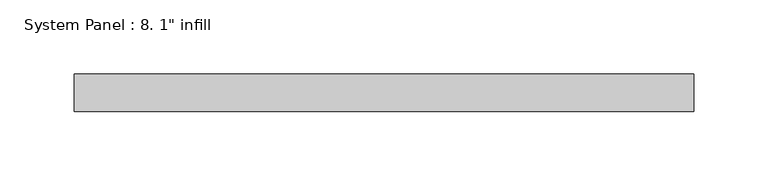
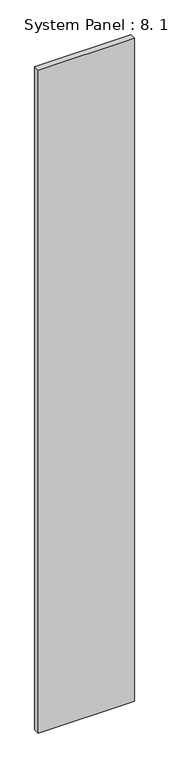
"""IFC4 building model written with IfcOpenShell, lengths in millimetres: plate geometry."""

from ifc_helpers import new_model, si_unit, origin, origin_with_axes, place, context, project, spatial, polyline, outline, extrude, source, transform, mapped, element, save


def plate_4602e4a1(model_context):
    return source(origin(), model_context, "Body", "SweptSolid", [
        extrude(outline(polyline([(209.3703949, 0.0), (-209.3703949, 0.0), (-209.3703949, 25.4), (209.3703949, 25.4), (209.3703949, 0.0)])), origin_with_axes(), (0.0, 0.0, 1.0), 3048.0),
    ])


if __name__ == "__main__":
    model = new_model("IFC4")
    model_context = context("Model", 3, world=origin())
    ifc_project = project(units=[si_unit("LENGTHUNIT", "METRE", prefix="MILLI")], contexts=[model_context])
    site = spatial("IfcSite", under=ifc_project)
    building = spatial("IfcBuilding", under=site)
    placement = place(None, origin())
    plate_shape = plate_4602e4a1(model_context)
    element("IfcPlate", 1, ObjectType="System Panel : 8. 1\" infill", at=placement, inside=building, context=model_context, shape_type="MappedRepresentation", body=[
        mapped(plate_shape, transform((0.0, 0.0, 0.0), x_axis=(1.0, 0.0, 0.0), y_axis=(0.0, 1.0, 0.0), z_axis=(0.0, 0.0, 1.0))),
    ])
    save(model, "model.ifc")
